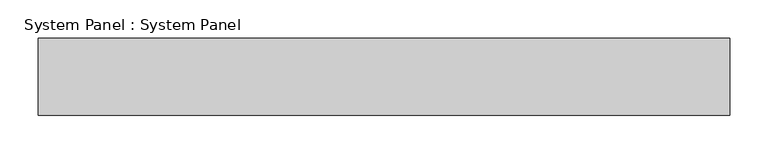
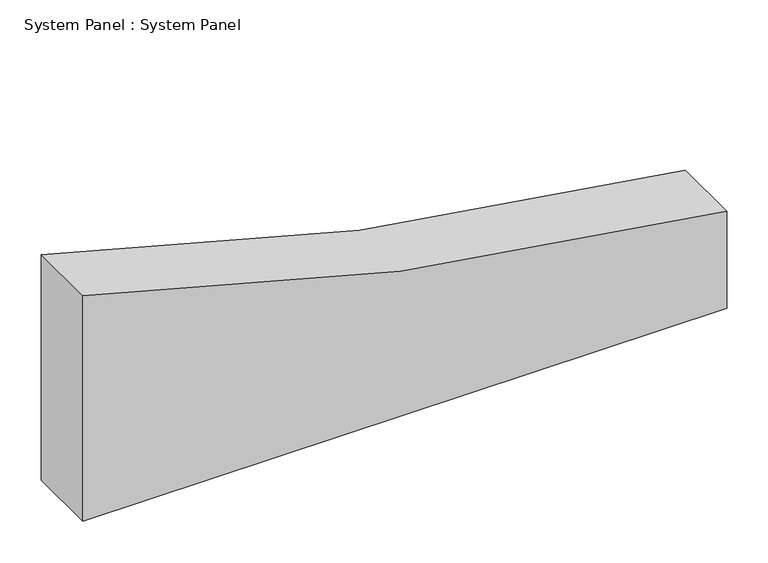
"""IFC4 building model written with IfcOpenShell, lengths in millimetres: plate geometry, System Panel : System Panel."""

from ifc_helpers import new_model, si_unit, point, frame, frame_2d, origin, place, context, project, spatial, polyline, circle_curve, trimmed, segment, composite_curve, outline, extrude, source, transform, mapped, element, save


def system_panel_system_panel_121aa0af(model_context):
    return source(origin(), model_context, "Body", "SweptSolid", [
        extrude(outline(composite_curve([segment(polyline([(0.0, -450.0), (0.0, 450.0), (143.2387736, 450.0)]), True, "CONTINUOUS"), segment(trimmed(circle_curve(frame_2d((4335.9328622, 866.9443343)), 4213.3746924), [point((143.2387736, 450.0))], [point((333.6605178, -450.0))], True, "CARTESIAN"), True, "CONTINUOUS"), segment(polyline([(333.6605178, -450.0), (0.0, -450.0)]), True, "CONTINUOUS")], self_intersect=False)), frame((0.0, -50.0, 0.0), z_axis=(0.0, 1.0, 0.0), x_axis=(0.0, 0.0, 1.0)), (0.0, 0.0, 1.0), 100.0),
    ])


if __name__ == "__main__":
    model = new_model("IFC4")
    model_context = context("Model", 3, world=origin())
    ifc_project = project(units=[si_unit("LENGTHUNIT", "METRE", prefix="MILLI")], contexts=[model_context])
    site = spatial("IfcSite", under=ifc_project)
    building = spatial("IfcBuilding", under=site)
    placement = place(None, origin())
    system_panel_system_panel_shape = system_panel_system_panel_121aa0af(model_context)
    element("IfcPlate", 1, ObjectType="System Panel : System Panel", at=placement, inside=building, context=model_context, shape_type="MappedRepresentation", body=[
        mapped(system_panel_system_panel_shape, transform((0.0, 0.0, 0.0), x_axis=(1.0, 0.0, 0.0), y_axis=(0.0, 1.0, 0.0), z_axis=(0.0, 0.0, 1.0))),
    ])
    save(model, "model.ifc")
